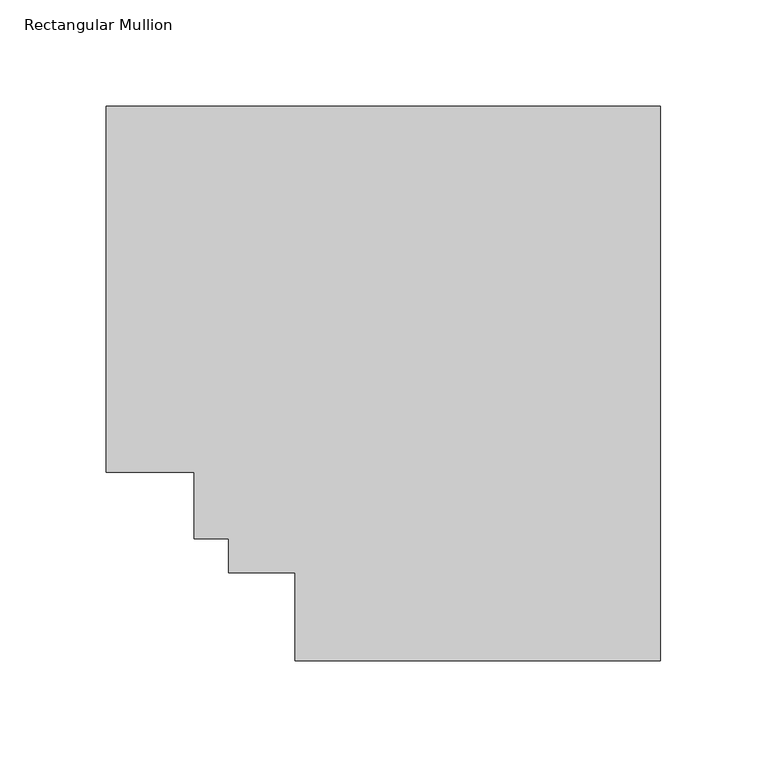
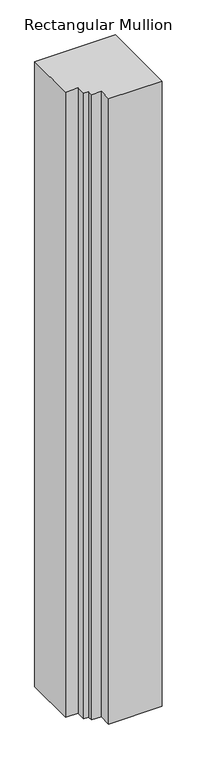
"""IFC4 building model written with IfcOpenShell, lengths in millimetres: member geometry, Rectangular Mullion."""

from ifc_helpers import new_model, si_unit, frame, origin, place, context, project, spatial, polyline, outline, extrude, source, transform, mapped, element, save


def rectangular_mullion_a54b9295(model_context):
    return source(origin(), model_context, "Body", "SweptSolid", [
        extrude(outline(polyline([(0.0, 222.5381312), (0.0, -37.7563298), (-171.7178533, -37.7563298), (-171.7178533, 3.5059706), (-202.9598533, 3.5059706), (-202.9598533, 19.578278), (-219.0321606, 19.578278), (-219.0321606, 50.820278), (-260.294461, 50.820278), (-260.294461, 222.5381312), (0.0, 222.5381312)])), frame((0.0, 0.0, -2133.6), z_axis=(0.0, 0.0, 1.0), x_axis=(1.0, 0.0, 0.0)), (0.0, 0.0, 1.0), 2133.6),
    ])


if __name__ == "__main__":
    model = new_model("IFC4")
    model_context = context("Model", 3, world=origin())
    ifc_project = project(units=[si_unit("LENGTHUNIT", "METRE", prefix="MILLI")], contexts=[model_context])
    site = spatial("IfcSite", under=ifc_project)
    building = spatial("IfcBuilding", under=site)
    placement = place(None, origin())
    rectangular_mullion_shape = rectangular_mullion_a54b9295(model_context)
    element("IfcMember", 1, ObjectType="Rectangular Mullion", at=placement, inside=building, context=model_context, shape_type="MappedRepresentation", body=[
        mapped(rectangular_mullion_shape, transform((0.0, 0.0, 0.0), x_axis=(1.0, 0.0, 0.0), y_axis=(0.0, 1.0, 0.0), z_axis=(0.0, 0.0, 1.0))),
    ])
    save(model, "model.ifc")
